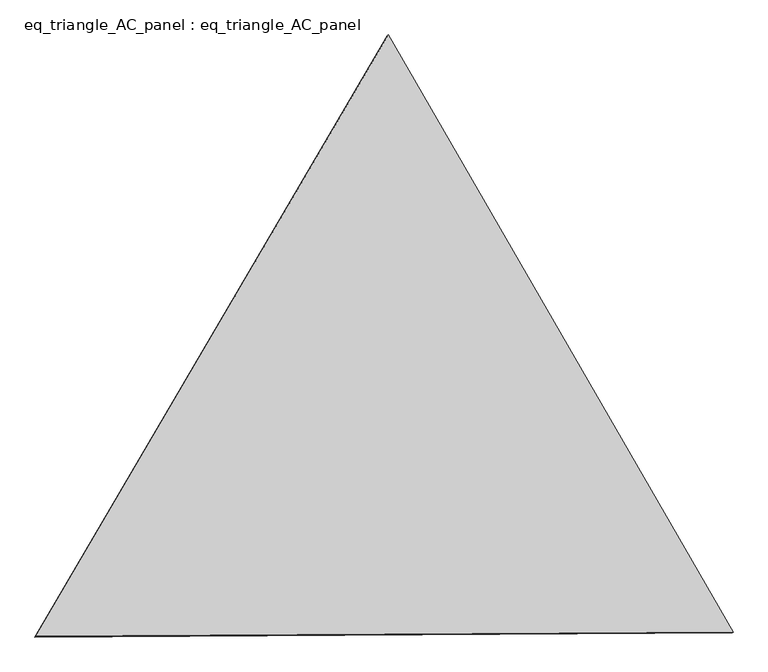
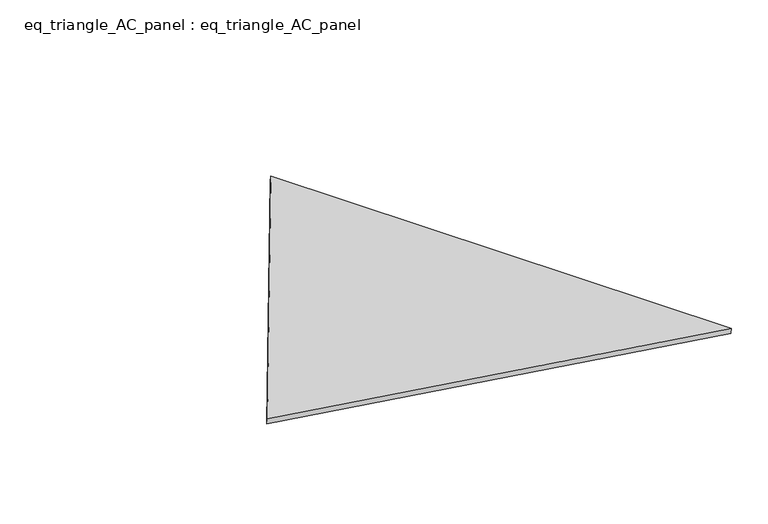
"""IFC4 building model written with IfcOpenShell, lengths in millimetres: proxy geometry, eq_triangle_AC_panel : eq_triangle_AC_panel."""

from ifc_helpers import new_model, si_unit, frame, origin, place, context, project, spatial, polyline, outline, extrude, source, transform, mapped, element, save


def eq_triangle_ac_panel_eq_triangle_ac_panel_ebaaf604(model_context):
    return source(origin(), model_context, "Body", "SweptSolid", [
        extrude(outline(polyline([(-2017.7410617, 1198.9367817), (2017.7410616, 1198.9367817), (-1e-07, -2397.8735635), (-2017.7410617, 1198.9367817)])), frame((0.0038051, 527.9290861, 89.8240019), z_axis=(0.1452632851804986, 0.0838657028179735, 0.9858321976226058), x_axis=(0.50000276974173, -0.8660238046641194, -2.383668119173643e-06)), (0.0, 0.0, 1.0), 43.8306294),
    ])


if __name__ == "__main__":
    model = new_model("IFC4")
    model_context = context("Model", 3, world=origin())
    ifc_project = project(units=[si_unit("LENGTHUNIT", "METRE", prefix="MILLI")], contexts=[model_context])
    site = spatial("IfcSite", under=ifc_project)
    building = spatial("IfcBuilding", under=site)
    placement = place(None, origin())
    eq_triangle_ac_panel_eq_triangle_ac_panel_shape = eq_triangle_ac_panel_eq_triangle_ac_panel_ebaaf604(model_context)
    element("IfcBuildingElementProxy", 1, Name="eq_triangle_AC_panel : eq_triangle_AC_panel", ObjectType="eq_triangle_AC_panel : eq_triangle_AC_panel", at=placement, inside=building, context=model_context, shape_type="MappedRepresentation", body=[
        mapped(eq_triangle_ac_panel_eq_triangle_ac_panel_shape, transform((0.0, 0.0, 0.0), x_axis=(1.0, 0.0, 0.0), y_axis=(0.0, 1.0, 0.0), z_axis=(0.0, 0.0, 1.0))),
    ])
    save(model, "model.ifc")
